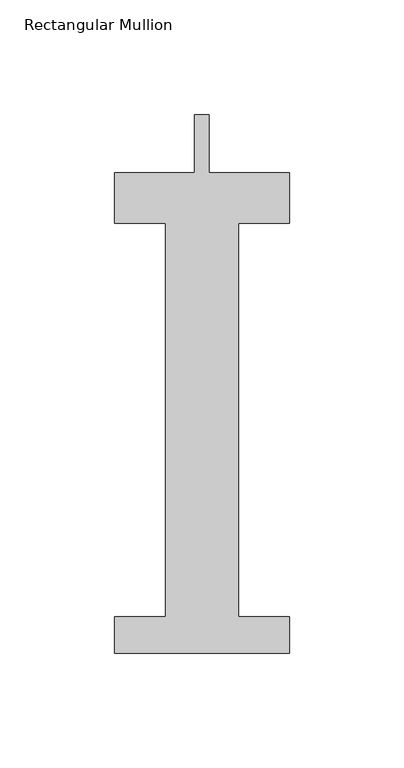
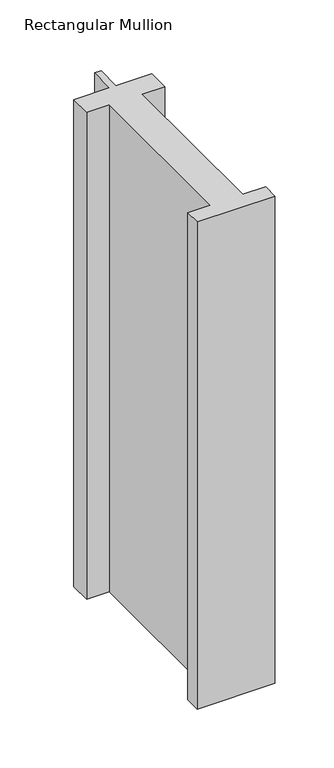
"""IFC4 building model written with IfcOpenShell, lengths in millimetres: member geometry, Rectangular Mullion."""

from ifc_helpers import new_model, si_unit, frame, origin, place, context, project, spatial, polyline, outline, extrude, source, transform, mapped, element, save


def rectangular_mullion_ace6969a(model_context):
    return source(origin(), model_context, "Body", "SweptSolid", [
        extrude(outline(polyline([(38.1, -221.996), (-38.1, -221.996), (-38.1, -206.121), (-15.875, -206.121), (-15.875, -34.671), (-38.1, -34.671), (-38.1, -12.7), (-3.175, -12.7), (-3.175, 12.7), (3.175, 12.7), (3.175, -12.7), (38.1, -12.7), (38.1, -34.671), (15.875, -34.671), (15.875, -206.121), (38.1, -206.121), (38.1, -221.996)])), frame((0.0, 0.0, -504.825), z_axis=(0.0, 0.0, 1.0), x_axis=(1.0, 0.0, 0.0)), (0.0, 0.0, 1.0), 504.825),
    ])


if __name__ == "__main__":
    model = new_model("IFC4")
    model_context = context("Model", 3, world=origin())
    ifc_project = project(units=[si_unit("LENGTHUNIT", "METRE", prefix="MILLI")], contexts=[model_context])
    site = spatial("IfcSite", under=ifc_project)
    building = spatial("IfcBuilding", under=site)
    placement = place(None, origin())
    rectangular_mullion_shape = rectangular_mullion_ace6969a(model_context)
    element("IfcMember", 1, ObjectType="Rectangular Mullion", at=placement, inside=building, context=model_context, shape_type="MappedRepresentation", body=[
        mapped(rectangular_mullion_shape, transform((0.0, 0.0, 0.0), x_axis=(1.0, 0.0, 0.0), y_axis=(0.0, 1.0, 0.0), z_axis=(0.0, 0.0, 1.0))),
    ])
    save(model, "model.ifc")
